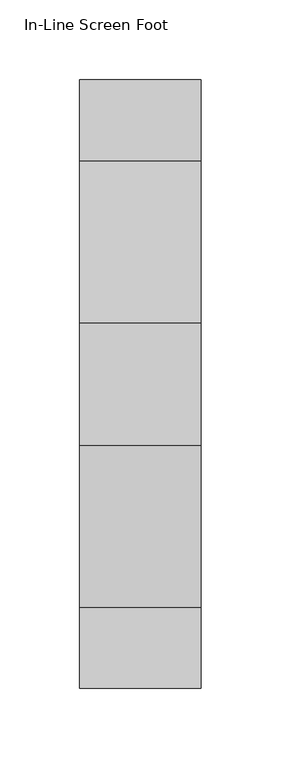
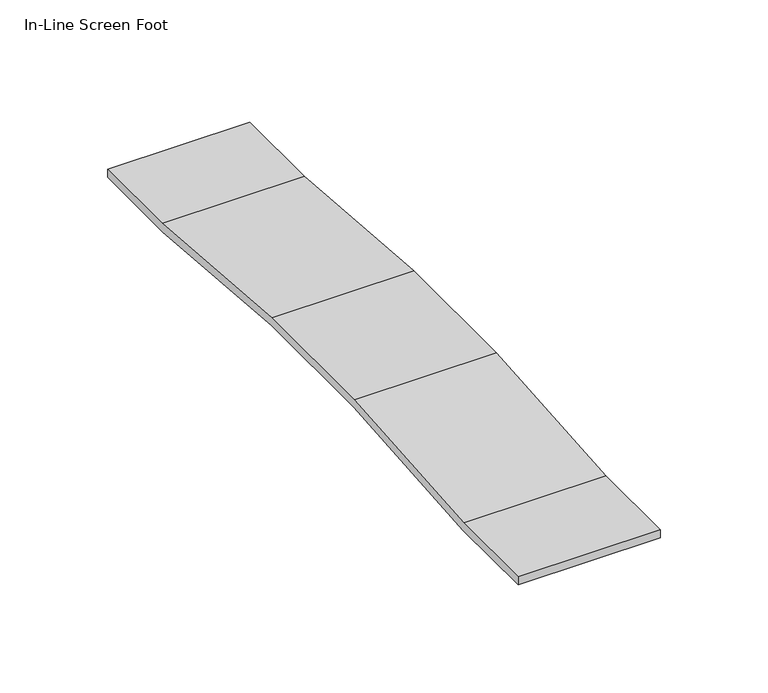
"""IFC4 building model written with IfcOpenShell, lengths in millimetres: furniture geometry, In-Line Screen Foot."""

from ifc_helpers import new_model, si_unit, frame, origin, place, context, project, spatial, polyline, outline, extrude, source, transform, mapped, element, save


def in_line_screen_foot_e1955b85(model_context):
    return source(origin(), model_context, "Body", "SweptSolid", [
        extrude(outline(polyline([(152.4, 4.5466), (152.4, 0.0), (101.6, 0.0), (0.0, 8.1534), (-76.2, 8.1534), (-177.8, 0.0), (-228.6, 0.0), (-228.6, 4.5466), (-177.9821395, 4.5466), (-76.3821395, 12.7), (0.1821395, 12.7), (101.7821395, 4.5466), (152.4, 4.5466)])), frame((6.223, 0.0, 0.0), z_axis=(1.0, 0.0, 0.0), x_axis=(0.0, 1.0, 0.0)), (0.0, 0.0, 1.0), 76.2),
    ])


if __name__ == "__main__":
    model = new_model("IFC4")
    model_context = context("Model", 3, world=origin())
    ifc_project = project(units=[si_unit("LENGTHUNIT", "METRE", prefix="MILLI")], contexts=[model_context])
    site = spatial("IfcSite", under=ifc_project)
    building = spatial("IfcBuilding", under=site)
    placement = place(None, origin())
    in_line_screen_foot_shape = in_line_screen_foot_e1955b85(model_context)
    element("IfcFurniture", 1, ObjectType="In-Line Screen Foot", at=placement, inside=building, context=model_context, shape_type="MappedRepresentation", body=[
        mapped(in_line_screen_foot_shape, transform((0.0, 0.0, 0.0), x_axis=(1.0, 0.0, 0.0), y_axis=(0.0, 1.0, 0.0), z_axis=(0.0, 0.0, 1.0))),
    ])
    save(model, "model.ifc")
